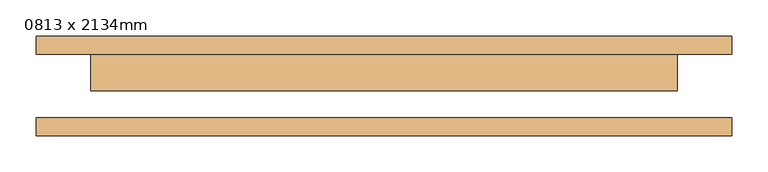
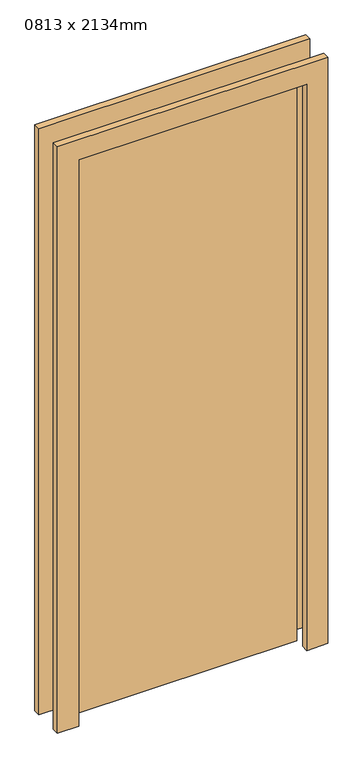
"""IFC4 building model written with IfcOpenShell, lengths in millimetres: door geometry, 0813 x 2134mm."""

from ifc_helpers import new_model, si_unit, frame, origin, origin_with_axes, place, context, project, spatial, polyline, outline, extrude, source, transform, mapped, element, save


def door_0813_x_2134mm_16f3cf80(model_context):
    return source(origin(), model_context, "Body", "SweptSolid", [
        extrude(outline(polyline([(2210.0, -482.5), (0.0, -482.5), (0.0, -406.5), (2134.0, -406.5), (2134.0, 406.5), (0.0, 406.5), (0.0, 482.5), (2210.0, 482.5), (2210.0, -482.5)])), frame((0.0, 44.0, 0.0), z_axis=(0.0, 1.0, 0.0), x_axis=(0.0, 0.0, 1.0)), (0.0, 0.0, 1.0), 25.0),
        extrude(outline(polyline([(2210.0, 482.5), (2210.0, -482.5), (0.0, -482.5), (0.0, -406.5), (2134.0, -406.5), (2134.0, 406.5), (0.0, 406.5), (0.0, 482.5), (2210.0, 482.5)])), frame((0.0, -69.0, 0.0), z_axis=(0.0, 1.0, 0.0), x_axis=(0.0, 0.0, 1.0)), (0.0, 0.0, 1.0), 25.0),
        extrude(outline(polyline([(406.5, -7.0), (-406.5, -7.0), (-406.5, 44.0), (406.5, 44.0), (406.5, -7.0)])), origin_with_axes(), (0.0, 0.0, 1.0), 2134.0),
    ])


if __name__ == "__main__":
    model = new_model("IFC4")
    model_context = context("Model", 3, world=origin())
    ifc_project = project(units=[si_unit("LENGTHUNIT", "METRE", prefix="MILLI")], contexts=[model_context])
    site = spatial("IfcSite", under=ifc_project)
    building = spatial("IfcBuilding", under=site)
    placement = place(None, origin())
    door_0813_x_2134mm_shape = door_0813_x_2134mm_16f3cf80(model_context)
    element("IfcDoor", 1, ObjectType="0813 x 2134mm", at=placement, inside=building, context=model_context, shape_type="MappedRepresentation", body=[
        mapped(door_0813_x_2134mm_shape, transform((0.0, 0.0, 0.0), x_axis=(1.0, 0.0, 0.0), y_axis=(0.0, 1.0, 0.0), z_axis=(0.0, 0.0, 1.0))),
    ])
    save(model, "model.ifc")
